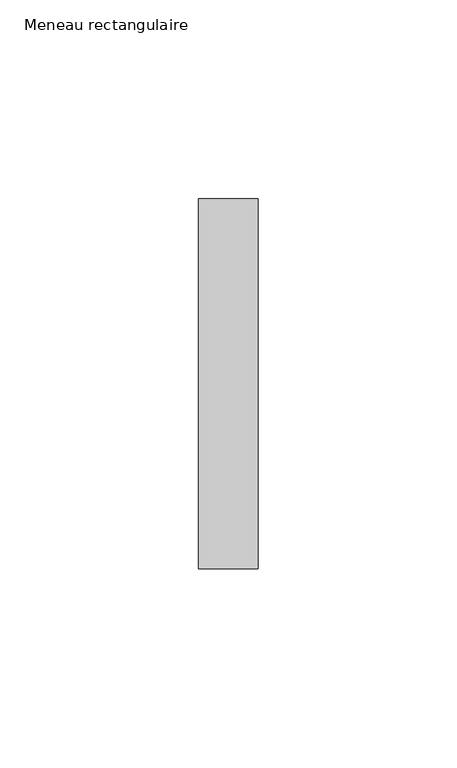
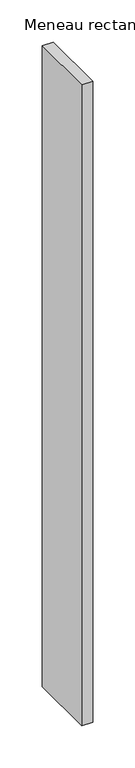
"""IFC4 building model written with IfcOpenShell, lengths in millimetres: member geometry, Meneau rectangulaire."""

from ifc_helpers import new_model, si_unit, frame, origin, place, context, project, spatial, polyline, outline, extrude, source, transform, mapped, element, save


def meneau_rectangulaire_44f3eee4(model_context):
    return source(origin(), model_context, "Body", "SweptSolid", [
        extrude(outline(polyline([(0.0, 46.5), (0.0, -46.5), (-15.0, -46.5), (-15.0, 46.5), (0.0, 46.5)])), frame((0.0, 0.0, -925.5040491), z_axis=(0.0, 0.0, 1.0), x_axis=(1.0, 0.0, 0.0)), (0.0, 0.0, 1.0), 925.5040491),
    ])


if __name__ == "__main__":
    model = new_model("IFC4")
    model_context = context("Model", 3, world=origin())
    ifc_project = project(units=[si_unit("LENGTHUNIT", "METRE", prefix="MILLI")], contexts=[model_context])
    site = spatial("IfcSite", under=ifc_project)
    building = spatial("IfcBuilding", under=site)
    placement = place(None, origin())
    meneau_rectangulaire_shape = meneau_rectangulaire_44f3eee4(model_context)
    element("IfcMember", 1, ObjectType="Meneau rectangulaire", at=placement, inside=building, context=model_context, shape_type="MappedRepresentation", body=[
        mapped(meneau_rectangulaire_shape, transform((0.0, 0.0, 0.0), x_axis=(1.0, 0.0, 0.0), y_axis=(0.0, 1.0, 0.0), z_axis=(0.0, 0.0, 1.0))),
    ])
    save(model, "model.ifc")
